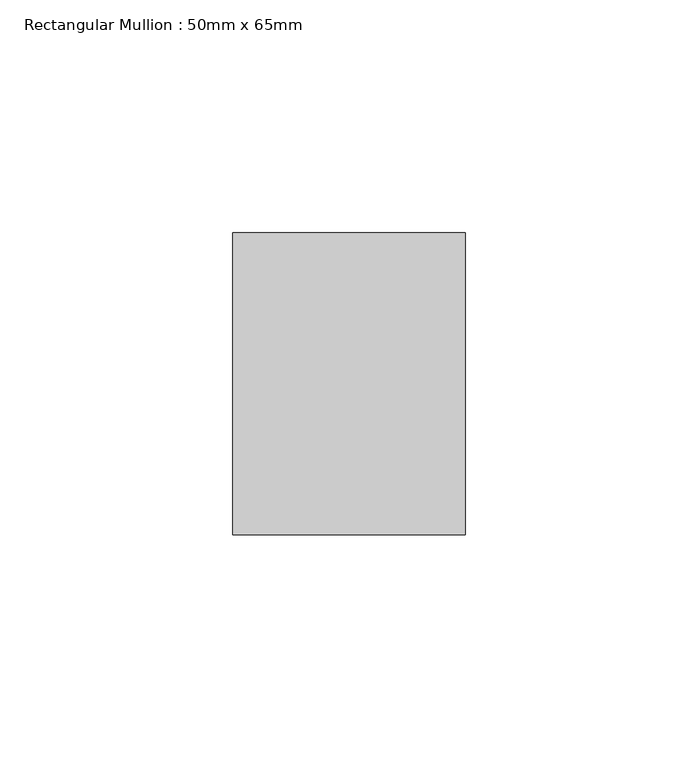
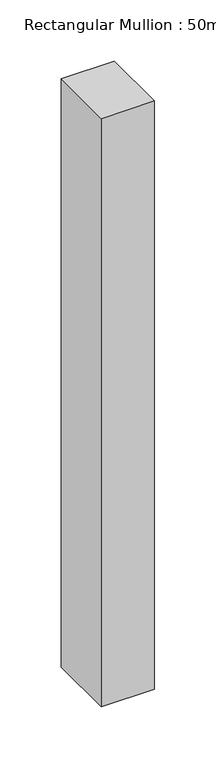
"""IFC4 building model written with IfcOpenShell, lengths in millimetres: member geometry, Rectangular Mullion : 50mm x 65mm."""

from ifc_helpers import new_model, si_unit, frame, origin, place, context, project, spatial, polyline, outline, extrude, source, transform, mapped, element, save


def rectangular_mullion_50mm_x_65mm_94e49b84(model_context):
    return source(origin(), model_context, "Body", "SweptSolid", [
        extrude(outline(polyline([(25.0, 32.5), (25.0, -32.5), (-25.0, -32.5), (-25.0, 32.5), (25.0, 32.5)])), frame((0.0, 0.0, -585.2035132), z_axis=(0.0, 0.0, 1.0), x_axis=(1.0, 0.0, 0.0)), (0.0, 0.0, 1.0), 585.2035132),
    ])


if __name__ == "__main__":
    model = new_model("IFC4")
    model_context = context("Model", 3, world=origin())
    ifc_project = project(units=[si_unit("LENGTHUNIT", "METRE", prefix="MILLI")], contexts=[model_context])
    site = spatial("IfcSite", under=ifc_project)
    building = spatial("IfcBuilding", under=site)
    placement = place(None, origin())
    rectangular_mullion_50mm_x_65mm_shape = rectangular_mullion_50mm_x_65mm_94e49b84(model_context)
    element("IfcMember", 1, ObjectType="Rectangular Mullion : 50mm x 65mm", at=placement, inside=building, context=model_context, shape_type="MappedRepresentation", body=[
        mapped(rectangular_mullion_50mm_x_65mm_shape, transform((0.0, 0.0, 0.0), x_axis=(1.0, 0.0, 0.0), y_axis=(0.0, 1.0, 0.0), z_axis=(0.0, 0.0, 1.0))),
    ])
    save(model, "model.ifc")
